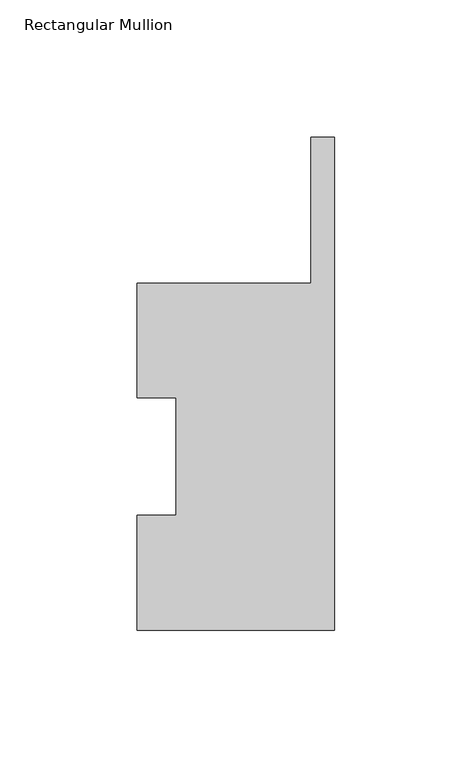
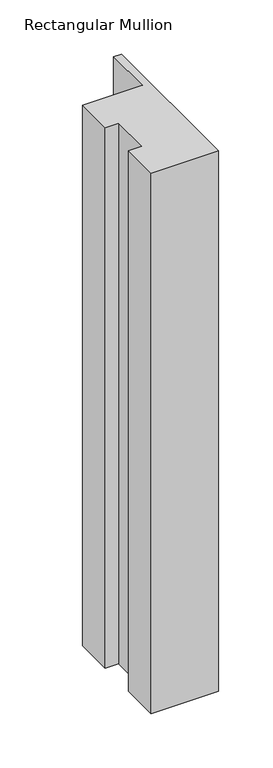
"""IFC4 building model written with IfcOpenShell, lengths in millimetres: member geometry, Rectangular Mullion."""

from ifc_helpers import new_model, si_unit, frame, origin, place, context, project, spatial, polyline, outline, extrude, source, transform, mapped, element, save


def rectangular_mullion_88603ff3(model_context):
    return source(origin(), model_context, "Body", "SweptSolid", [
        extrude(outline(polyline([(-72.01462, 133.3825438), (-8.51462, 133.3825438), (-8.51462, 186.6195599), (0.0, 186.6195599), (0.0, 6.8905438), (-72.01462, 6.8905438), (-72.01462, 48.9275438), (-57.72712, 48.9275438), (-57.72712, 91.7773437), (-72.01462, 91.7773438), (-72.01462, 133.3825438)])), frame((0.0, 0.0, -609.6), z_axis=(0.0, 0.0, 1.0), x_axis=(1.0, 0.0, 0.0)), (0.0, 0.0, 1.0), 609.6),
    ])


if __name__ == "__main__":
    model = new_model("IFC4")
    model_context = context("Model", 3, world=origin())
    ifc_project = project(units=[si_unit("LENGTHUNIT", "METRE", prefix="MILLI")], contexts=[model_context])
    site = spatial("IfcSite", under=ifc_project)
    building = spatial("IfcBuilding", under=site)
    placement = place(None, origin())
    rectangular_mullion_shape = rectangular_mullion_88603ff3(model_context)
    element("IfcMember", 1, ObjectType="Rectangular Mullion", at=placement, inside=building, context=model_context, shape_type="MappedRepresentation", body=[
        mapped(rectangular_mullion_shape, transform((0.0, 0.0, 0.0), x_axis=(1.0, 0.0, 0.0), y_axis=(0.0, 1.0, 0.0), z_axis=(0.0, 0.0, 1.0))),
    ])
    save(model, "model.ifc")
